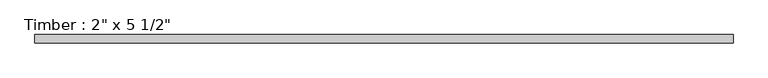
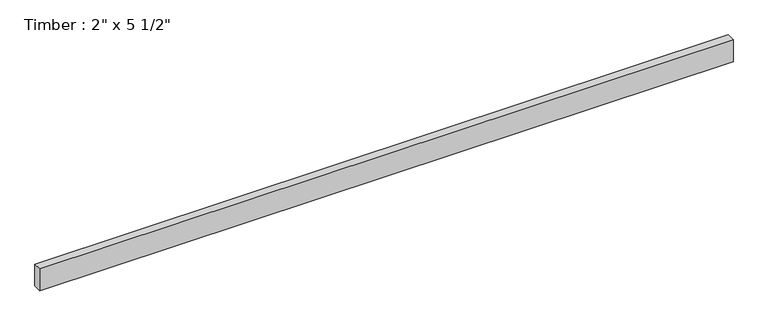
"""IFC4 building model written with IfcOpenShell, lengths in millimetres: beam geometry."""

import ifcopenshell
import ifcopenshell.guid

model = None  # the IFC model being written
_history = None  # IfcOwnerHistory: only IFC2X3 demands one
_inside = {}  # id of a spatial element -> (the spatial element, [elements in it])
_under = {}  # id of a project, library or spatial element -> (it, [spatial elements below it])
_declared = {}  # id of a project -> (the project, [libraries it declares])
_typed = {}  # id of a type object -> (the type object, [elements of that type])
_made_of = {}  # id of a material, layer set ... -> (it, [elements and type objects made of it])


def new_model(schema):
    """Start an empty IFC model of exactly this schema.

    Asked for "IFC4X3", IfcOpenShell would pick the latest addendum, in which some entities
    have other attributes; the version numbers below select the first issue.
    IFC2X3 requires an IfcOwnerHistory on every rooted entity: one is made here for all.
    """
    global model, _history
    if schema == "IFC4X3":
        model = ifcopenshell.file(schema_version=(4, 3, 0, 0))
    else:
        model = ifcopenshell.file(schema=schema)
    _inside.clear()
    _under.clear()
    _declared.clear()
    _typed.clear()
    _made_of.clear()
    _history = None
    if model.schema == "IFC2X3":
        org = make("IfcOrganization", Name="unknown")
        user = make(
            "IfcPersonAndOrganization",
            ThePerson=make("IfcPerson", FamilyName="unknown"),
            TheOrganization=org,
        )
        app = make(
            "IfcApplication",
            ApplicationDeveloper=org,
            Version="unknown",
            ApplicationFullName="unknown",
            ApplicationIdentifier="unknown",
        )
        _history = make(
            "IfcOwnerHistory",
            OwningUser=user,
            OwningApplication=app,
            ChangeAction="ADDED",
            CreationDate=0,
        )
    return model


def make(cls, **values):
    """One entity of the class cls with the attributes given. An attribute that is None is left unset."""
    return model.create_entity(
        cls, **{name: value for name, value in values.items() if value is not None}
    )


def rooted(cls, **values):
    """An entity with a GlobalId (a new one), such as an element, a storey or a relation."""
    return make(cls, GlobalId=ifcopenshell.guid.new(), OwnerHistory=_history, **values)


def si_unit(unit_type, name, prefix=None):
    """IfcSIUnit, for example si_unit("LENGTHUNIT", "METRE", prefix="MILLI")."""
    return make("IfcSIUnit", UnitType=unit_type, Prefix=prefix, Name=name)


def assignment(units):
    """IfcUnitAssignment: the units of a project."""
    return None if units is None else make("IfcUnitAssignment", Units=units)


def point(xyz):
    """IfcCartesianPoint."""
    return None if xyz is None else make("IfcCartesianPoint", Coordinates=xyz)


def direction(xyz):
    """IfcDirection."""
    return None if xyz is None else make("IfcDirection", DirectionRatios=xyz)


def frame(location, z_axis=None, x_axis=None):
    """IfcAxis2Placement3D, a coordinate frame: its origin and axes. An axis left out is left unset."""
    return make(
        "IfcAxis2Placement3D",
        Location=point(location),
        Axis=direction(z_axis),
        RefDirection=direction(x_axis),
    )


def origin():
    """The frame at (0, 0, 0) with its axes left unset."""
    return frame((0.0, 0.0, 0.0))


def place(relative_to, where):
    """IfcLocalPlacement: puts the frame where relative to a parent placement (None: the world)."""
    return make(
        "IfcLocalPlacement", PlacementRelTo=relative_to, RelativePlacement=where
    )


def context(
    kind, dimensions, precision=None, world=None, true_north=None, identifier=None
):
    """IfcGeometricRepresentationContext, for example the 3D "Model" context."""
    return make(
        "IfcGeometricRepresentationContext",
        ContextIdentifier=identifier,
        ContextType=kind,
        CoordinateSpaceDimension=dimensions,
        Precision=precision,
        WorldCoordinateSystem=world,
        TrueNorth=true_north,
    )


def project(units=None, contexts=None):
    """IfcProject with its units and contexts."""
    return rooted(
        "IfcProject",
        Name="project",
        RepresentationContexts=contexts,
        UnitsInContext=assignment(units),
    )


def spatial(cls, under=None, at=None, **own):
    """A site, building, storey or space (cls), placed at a placement, below another one or the project."""
    s = rooted(cls, ObjectPlacement=at, **own)
    if under is not None:
        _under.setdefault(under.id(), (under, []))[1].append(s)
    return s


def polyline(points):
    """IfcPolyline through the points."""
    return make("IfcPolyline", Points=[point(p) for p in points])


def outline(outer, holes=None, kind="AREA"):
    """IfcArbitraryClosedProfileDef: a profile drawn as a closed curve; with holes, ...WithVoids."""
    if holes is None:
        return make("IfcArbitraryClosedProfileDef", ProfileType=kind, OuterCurve=outer)
    return make(
        "IfcArbitraryProfileDefWithVoids",
        ProfileType=kind,
        OuterCurve=outer,
        InnerCurves=holes,
    )


def extrude(swept, where, along, depth):
    """IfcExtrudedAreaSolid: the profile swept, set in the frame where, extruded along a direction by depth."""
    return make(
        "IfcExtrudedAreaSolid",
        SweptArea=swept,
        Position=where,
        ExtrudedDirection=direction(along),
        Depth=depth,
    )


def shape(context_of_items, identifier, shape_type, items):
    """IfcShapeRepresentation: the items that make up one representation, for example the "Body"."""
    return make(
        "IfcShapeRepresentation",
        ContextOfItems=context_of_items,
        RepresentationIdentifier=identifier,
        RepresentationType=shape_type,
        Items=items,
    )


def source(mapping_origin, context_of_items, identifier, shape_type, items):
    """IfcRepresentationMap: a shape defined once, which mapped items show again and again."""
    return make(
        "IfcRepresentationMap",
        MappingOrigin=mapping_origin,
        MappedRepresentation=shape(context_of_items, identifier, shape_type, items),
    )


def transform(
    local_origin,
    x_axis=None,
    y_axis=None,
    z_axis=None,
    scale=None,
    scale2=None,
    scale3=None,
    uniform=True,
):
    """IfcCartesianTransformationOperator3D, or its non-uniform kind. x_axis, y_axis, z_axis: its Axis1, 2, 3."""
    if uniform:
        return make(
            "IfcCartesianTransformationOperator3D",
            Axis1=direction(x_axis),
            Axis2=direction(y_axis),
            LocalOrigin=point(local_origin),
            Scale=scale,
            Axis3=direction(z_axis),
        )
    return make(
        "IfcCartesianTransformationOperator3DnonUniform",
        Axis1=direction(x_axis),
        Axis2=direction(y_axis),
        LocalOrigin=point(local_origin),
        Scale=scale,
        Axis3=direction(z_axis),
        Scale2=scale2,
        Scale3=scale3,
    )


def mapped(mapping_source, mapping_target):
    """IfcMappedItem: shows the shape of a source again, moved by a transform."""
    return make(
        "IfcMappedItem", MappingSource=mapping_source, MappingTarget=mapping_target
    )


def made_of(thing, what):
    """Note that an element or type object is made of a material, layer set ...; save() writes the relation."""
    if what is not None:
        _made_of.setdefault(what.id(), (what, []))[1].append(thing)
    return thing


def element(
    cls,
    number,
    at=None,
    inside=None,
    cuts=None,
    type_object=None,
    material=None,
    context=None,
    identifier="Body",
    shape_type=None,
    held_by="IfcProductDefinitionShape",
    body=None,
    shapes=None,
    **own,
):
    """One element of the class cls, such as IfcWall. Its Tag is "e" and its number.

    at: its placement. inside: the storey or other place that contains it. cuts: it is an
    opening in that element (IfcRelVoidsElement). A single representation is given by context,
    identifier, shape_type and body (its items); several are given by shapes. held_by: the class
    of the entity that holds the representations. save() writes the other relations.
    """
    e = rooted(cls, Tag="e%d" % number, ObjectPlacement=at, **own)
    if body is not None:
        shapes = [shape(context, identifier, shape_type, body)]
    if shapes is not None:
        e.Representation = make(held_by, Representations=shapes)
    if inside is not None:
        _inside.setdefault(inside.id(), (inside, []))[1].append(e)
    if cuts is not None:
        rooted(
            "IfcRelVoidsElement", RelatingBuildingElement=cuts, RelatedOpeningElement=e
        )
    if type_object is not None:
        _typed.setdefault(type_object.id(), (type_object, []))[1].append(e)
    return made_of(e, material)


def aggregate(whole, parts):
    """IfcRelAggregates: a whole, such as a stair, and the parts it consists of."""
    return rooted("IfcRelAggregates", RelatingObject=whole, RelatedObjects=parts)


def save(model, path):
    """Write the relations noted so far, then the file.

    IfcRelAggregates (storeys below a building ...), IfcRelContainedInSpatialStructure (elements
    in a storey), IfcRelDefinesByType, IfcRelAssociatesMaterial and IfcRelDeclares: one each for
    every whole, place, type object, material and project.
    """
    for whole, parts in _under.values():
        aggregate(whole, parts)
    for where, things in _inside.values():
        rooted(
            "IfcRelContainedInSpatialStructure",
            RelatedElements=things,
            RelatingStructure=where,
        )
    for kind, things in _typed.values():
        rooted("IfcRelDefinesByType", RelatedObjects=things, RelatingType=kind)
    for what, things in _made_of.values():
        rooted("IfcRelAssociatesMaterial", RelatedObjects=things, RelatingMaterial=what)
    for by, libraries in _declared.values():
        rooted("IfcRelDeclares", RelatingContext=by, RelatedDefinitions=libraries)
    model.write(path)


def beam_4c28df9c(model_context):
    return source(origin(), model_context, "Body", "SweptSolid", [
        extrude(outline(polyline([(2098.7698999, 25.4), (2098.7698999, -25.4), (-2098.7698999, -25.4), (-2098.7698999, 25.4), (2098.7698999, 25.4)])), frame((0.0, 0.0, -69.85), z_axis=(0.0, 0.0, 1.0), x_axis=(1.0, 0.0, 0.0)), (0.0, 0.0, 1.0), 139.7),
    ])


if __name__ == "__main__":
    model = new_model("IFC4")
    model_context = context("Model", 3, world=origin())
    ifc_project = project(units=[si_unit("LENGTHUNIT", "METRE", prefix="MILLI")], contexts=[model_context])
    site = spatial("IfcSite", under=ifc_project)
    building = spatial("IfcBuilding", under=site)
    placement = place(None, origin())
    beam_shape = beam_4c28df9c(model_context)
    element("IfcBeam", 1, ObjectType="Timber : 2\" x 5 1/2\"", at=placement, inside=building, context=model_context, shape_type="MappedRepresentation", body=[
        mapped(beam_shape, transform((0.0, 0.0, 0.0), x_axis=(1.0, 0.0, 0.0), y_axis=(0.0, 1.0, 0.0), z_axis=(0.0, 0.0, 1.0))),
    ])
    save(model, "model.ifc")
